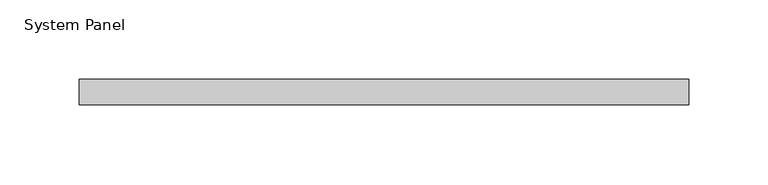
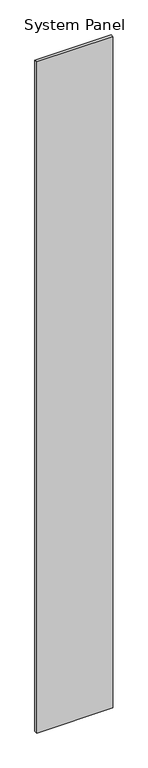
"""IFC4 building model written with IfcOpenShell, lengths in millimetres: plate geometry, System Panel."""

from ifc_helpers import new_model, si_unit, origin, origin_with_axes, place, context, project, spatial, polyline, outline, extrude, source, transform, mapped, element, save


def system_panel_7dd55627(model_context):
    return source(origin(), model_context, "Body", "SweptSolid", [
        extrude(outline(polyline([(192.5, -8.0), (-192.5, -8.0), (-192.5, 8.0), (192.5, 8.0), (192.5, -8.0)])), origin_with_axes(), (0.0, 0.0, 1.0), 3590.0),
    ])


if __name__ == "__main__":
    model = new_model("IFC4")
    model_context = context("Model", 3, world=origin())
    ifc_project = project(units=[si_unit("LENGTHUNIT", "METRE", prefix="MILLI")], contexts=[model_context])
    site = spatial("IfcSite", under=ifc_project)
    building = spatial("IfcBuilding", under=site)
    placement = place(None, origin())
    system_panel_shape = system_panel_7dd55627(model_context)
    element("IfcPlate", 1, ObjectType="System Panel", at=placement, inside=building, context=model_context, shape_type="MappedRepresentation", body=[
        mapped(system_panel_shape, transform((0.0, 0.0, 0.0), x_axis=(1.0, 0.0, 0.0), y_axis=(0.0, 1.0, 0.0), z_axis=(0.0, 0.0, 1.0))),
    ])
    save(model, "model.ifc")
